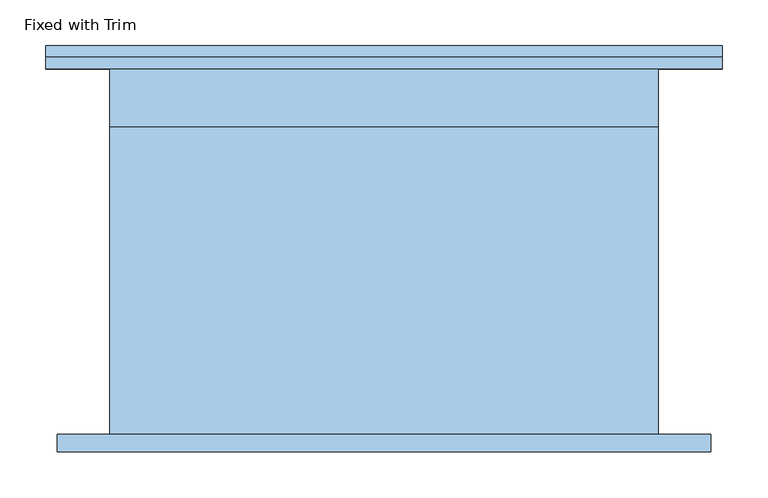
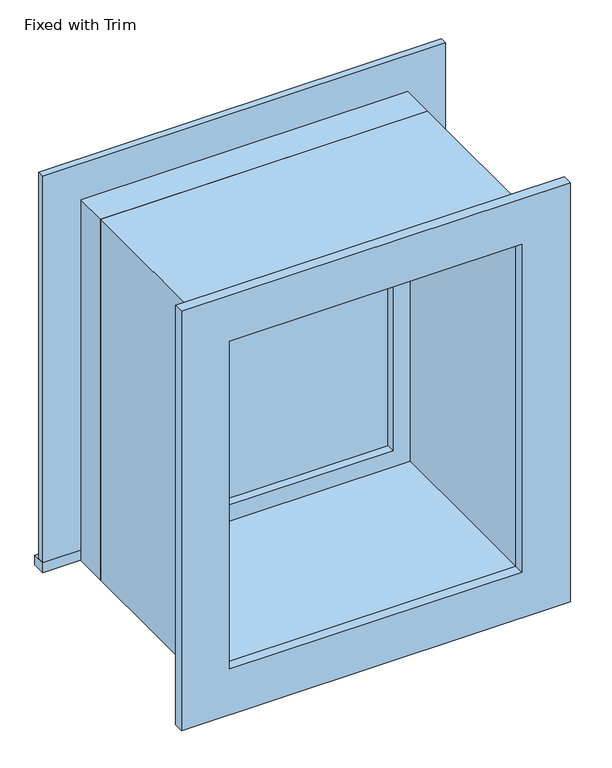
"""IFC4 building model written with IfcOpenShell, lengths in millimetres: window geometry, Fixed with Trim."""

from ifc_helpers import new_model, si_unit, frame, origin, place, context, project, spatial, polyline, outline, extrude, source, transform, mapped, element, save


def fixed_with_trim_14bac786(model_context):
    return source(origin(), model_context, "Body", "SweptSolid", [
        extrude(outline(polyline([(-407.95, 225.4), (331.75, 225.4), (331.75, 200.0), (-407.95, 200.0), (-407.95, 225.4)])), frame((0.0, 0.0, 914.4), z_axis=(0.0, 0.0, 1.0), x_axis=(1.0, 0.0, 0.0)), (0.0, 0.0, 1.0), 19.05),
        extrude(outline(polyline([(1595.35, -319.05), (1595.35, 242.85), (933.45, 242.85), (933.45, 331.75), (1684.25, 331.75), (1684.25, -407.95), (933.45, -407.95), (933.45, -319.05), (1595.35, -319.05)])), frame((0.0, 200.0, 0.0), z_axis=(0.0, 1.0, 0.0), x_axis=(0.0, 0.0, 1.0)), (0.0, 0.0, 1.0), 12.7),
        extrude(outline(polyline([(1671.55, 319.05), (1671.55, -395.25), (857.25, -395.25), (857.25, 319.05), (1671.55, 319.05)]), holes=[polyline([(1582.65, 230.15), (946.15, 230.15), (946.15, -306.35), (1582.65, -306.35), (1582.65, 230.15)])]), frame((0.0, -219.05, 0.0), z_axis=(0.0, 1.0, 0.0), x_axis=(0.0, 0.0, 1.0)), (0.0, 0.0, 1.0), 19.05),
        extrude(outline(polyline([(198.4, 152.375), (-274.6, 152.375), (-274.6, 165.075), (198.4, 165.075), (198.4, 152.375)])), frame((0.0, 0.0, 977.9), z_axis=(0.0, 0.0, 1.0), x_axis=(1.0, 0.0, 0.0)), (0.0, 0.0, 1.0), 573.0),
        extrude(outline(polyline([(1595.35, -319.05), (933.45, -319.05), (933.45, 242.85), (1595.35, 242.85), (1595.35, -319.05)]), holes=[polyline([(1550.9, -274.6), (1550.9, 198.4), (977.9, 198.4), (977.9, -274.6), (1550.9, -274.6)])]), frame((0.0, 136.5, 0.0), z_axis=(0.0, 1.0, 0.0), x_axis=(0.0, 0.0, 1.0)), (0.0, 0.0, 1.0), 44.45),
        extrude(outline(polyline([(1614.4, -338.1), (914.4, -338.1), (914.4, 261.9), (1614.4, 261.9), (1614.4, -338.1)]), holes=[polyline([(1582.65, -306.35), (1582.65, 230.15), (946.15, 230.15), (946.15, -306.35), (1582.65, -306.35)])]), frame((0.0, -200.0, 0.0), z_axis=(0.0, 1.0, 0.0), x_axis=(0.0, 0.0, 1.0)), (0.0, 0.0, 1.0), 336.5),
        extrude(outline(polyline([(1614.4, 261.9), (1614.4, -338.1), (914.4, -338.1), (914.4, 261.9), (1614.4, 261.9)]), holes=[polyline([(1595.35, 242.85), (933.45, 242.85), (933.45, -319.05), (1595.35, -319.05), (1595.35, 242.85)])]), frame((0.0, 136.5, 0.0), z_axis=(0.0, 1.0, 0.0), x_axis=(0.0, 0.0, 1.0)), (0.0, 0.0, 1.0), 63.5),
    ])


if __name__ == "__main__":
    model = new_model("IFC4")
    model_context = context("Model", 3, world=origin())
    ifc_project = project(units=[si_unit("LENGTHUNIT", "METRE", prefix="MILLI")], contexts=[model_context])
    site = spatial("IfcSite", under=ifc_project)
    building = spatial("IfcBuilding", under=site)
    placement = place(None, origin())
    fixed_with_trim_shape = fixed_with_trim_14bac786(model_context)
    element("IfcWindow", 1, ObjectType="Fixed with Trim", at=placement, inside=building, context=model_context, shape_type="MappedRepresentation", body=[
        mapped(fixed_with_trim_shape, transform((0.0, 0.0, 0.0), x_axis=(1.0, 0.0, 0.0), y_axis=(0.0, 1.0, 0.0), z_axis=(0.0, 0.0, 1.0))),
    ])
    save(model, "model.ifc")
